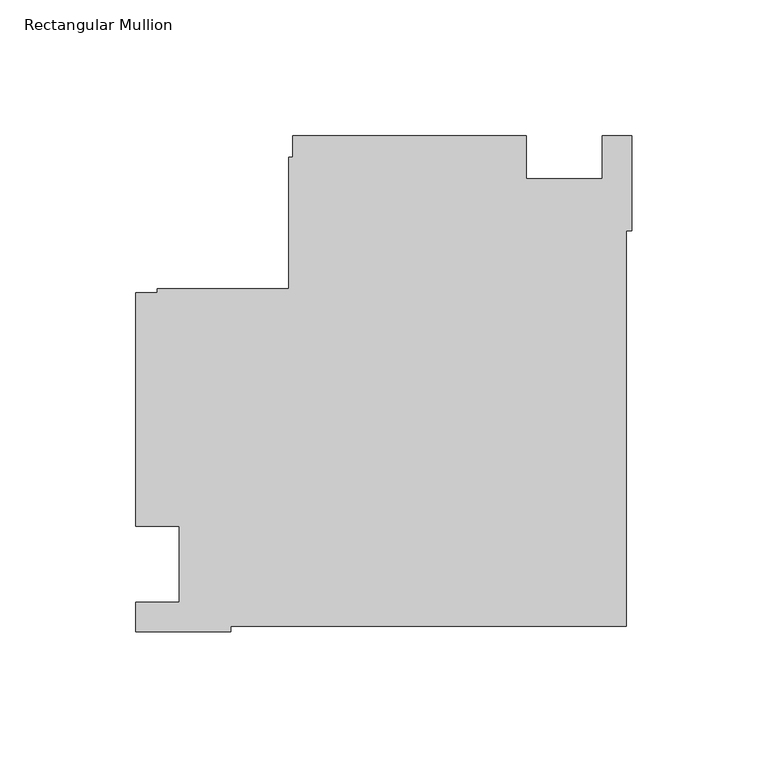
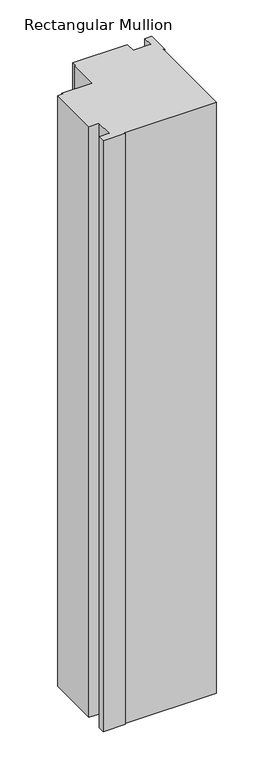
"""IFC4 building model written with IfcOpenShell, lengths in millimetres: member geometry, Rectangular Mullion."""

import ifcopenshell
import ifcopenshell.guid

model = None  # the IFC model being written
_history = None  # IfcOwnerHistory: only IFC2X3 demands one
_inside = {}  # id of a spatial element -> (the spatial element, [elements in it])
_under = {}  # id of a project, library or spatial element -> (it, [spatial elements below it])
_declared = {}  # id of a project -> (the project, [libraries it declares])
_typed = {}  # id of a type object -> (the type object, [elements of that type])
_made_of = {}  # id of a material, layer set ... -> (it, [elements and type objects made of it])


def new_model(schema):
    """Start an empty IFC model of exactly this schema.

    Asked for "IFC4X3", IfcOpenShell would pick the latest addendum, in which some entities
    have other attributes; the version numbers below select the first issue.
    IFC2X3 requires an IfcOwnerHistory on every rooted entity: one is made here for all.
    """
    global model, _history
    if schema == "IFC4X3":
        model = ifcopenshell.file(schema_version=(4, 3, 0, 0))
    else:
        model = ifcopenshell.file(schema=schema)
    _inside.clear()
    _under.clear()
    _declared.clear()
    _typed.clear()
    _made_of.clear()
    _history = None
    if model.schema == "IFC2X3":
        org = make("IfcOrganization", Name="unknown")
        user = make(
            "IfcPersonAndOrganization",
            ThePerson=make("IfcPerson", FamilyName="unknown"),
            TheOrganization=org,
        )
        app = make(
            "IfcApplication",
            ApplicationDeveloper=org,
            Version="unknown",
            ApplicationFullName="unknown",
            ApplicationIdentifier="unknown",
        )
        _history = make(
            "IfcOwnerHistory",
            OwningUser=user,
            OwningApplication=app,
            ChangeAction="ADDED",
            CreationDate=0,
        )
    return model


def make(cls, **values):
    """One entity of the class cls with the attributes given. An attribute that is None is left unset."""
    return model.create_entity(
        cls, **{name: value for name, value in values.items() if value is not None}
    )


def rooted(cls, **values):
    """An entity with a GlobalId (a new one), such as an element, a storey or a relation."""
    return make(cls, GlobalId=ifcopenshell.guid.new(), OwnerHistory=_history, **values)


def si_unit(unit_type, name, prefix=None):
    """IfcSIUnit, for example si_unit("LENGTHUNIT", "METRE", prefix="MILLI")."""
    return make("IfcSIUnit", UnitType=unit_type, Prefix=prefix, Name=name)


def assignment(units):
    """IfcUnitAssignment: the units of a project."""
    return None if units is None else make("IfcUnitAssignment", Units=units)


def point(xyz):
    """IfcCartesianPoint."""
    return None if xyz is None else make("IfcCartesianPoint", Coordinates=xyz)


def direction(xyz):
    """IfcDirection."""
    return None if xyz is None else make("IfcDirection", DirectionRatios=xyz)


def frame(location, z_axis=None, x_axis=None):
    """IfcAxis2Placement3D, a coordinate frame: its origin and axes. An axis left out is left unset."""
    return make(
        "IfcAxis2Placement3D",
        Location=point(location),
        Axis=direction(z_axis),
        RefDirection=direction(x_axis),
    )


def origin():
    """The frame at (0, 0, 0) with its axes left unset."""
    return frame((0.0, 0.0, 0.0))


def place(relative_to, where):
    """IfcLocalPlacement: puts the frame where relative to a parent placement (None: the world)."""
    return make(
        "IfcLocalPlacement", PlacementRelTo=relative_to, RelativePlacement=where
    )


def context(
    kind, dimensions, precision=None, world=None, true_north=None, identifier=None
):
    """IfcGeometricRepresentationContext, for example the 3D "Model" context."""
    return make(
        "IfcGeometricRepresentationContext",
        ContextIdentifier=identifier,
        ContextType=kind,
        CoordinateSpaceDimension=dimensions,
        Precision=precision,
        WorldCoordinateSystem=world,
        TrueNorth=true_north,
    )


def project(units=None, contexts=None):
    """IfcProject with its units and contexts."""
    return rooted(
        "IfcProject",
        Name="project",
        RepresentationContexts=contexts,
        UnitsInContext=assignment(units),
    )


def spatial(cls, under=None, at=None, **own):
    """A site, building, storey or space (cls), placed at a placement, below another one or the project."""
    s = rooted(cls, ObjectPlacement=at, **own)
    if under is not None:
        _under.setdefault(under.id(), (under, []))[1].append(s)
    return s


def polyline(points):
    """IfcPolyline through the points."""
    return make("IfcPolyline", Points=[point(p) for p in points])


def outline(outer, holes=None, kind="AREA"):
    """IfcArbitraryClosedProfileDef: a profile drawn as a closed curve; with holes, ...WithVoids."""
    if holes is None:
        return make("IfcArbitraryClosedProfileDef", ProfileType=kind, OuterCurve=outer)
    return make(
        "IfcArbitraryProfileDefWithVoids",
        ProfileType=kind,
        OuterCurve=outer,
        InnerCurves=holes,
    )


def extrude(swept, where, along, depth):
    """IfcExtrudedAreaSolid: the profile swept, set in the frame where, extruded along a direction by depth."""
    return make(
        "IfcExtrudedAreaSolid",
        SweptArea=swept,
        Position=where,
        ExtrudedDirection=direction(along),
        Depth=depth,
    )


def shape(context_of_items, identifier, shape_type, items):
    """IfcShapeRepresentation: the items that make up one representation, for example the "Body"."""
    return make(
        "IfcShapeRepresentation",
        ContextOfItems=context_of_items,
        RepresentationIdentifier=identifier,
        RepresentationType=shape_type,
        Items=items,
    )


def source(mapping_origin, context_of_items, identifier, shape_type, items):
    """IfcRepresentationMap: a shape defined once, which mapped items show again and again."""
    return make(
        "IfcRepresentationMap",
        MappingOrigin=mapping_origin,
        MappedRepresentation=shape(context_of_items, identifier, shape_type, items),
    )


def transform(
    local_origin,
    x_axis=None,
    y_axis=None,
    z_axis=None,
    scale=None,
    scale2=None,
    scale3=None,
    uniform=True,
):
    """IfcCartesianTransformationOperator3D, or its non-uniform kind. x_axis, y_axis, z_axis: its Axis1, 2, 3."""
    if uniform:
        return make(
            "IfcCartesianTransformationOperator3D",
            Axis1=direction(x_axis),
            Axis2=direction(y_axis),
            LocalOrigin=point(local_origin),
            Scale=scale,
            Axis3=direction(z_axis),
        )
    return make(
        "IfcCartesianTransformationOperator3DnonUniform",
        Axis1=direction(x_axis),
        Axis2=direction(y_axis),
        LocalOrigin=point(local_origin),
        Scale=scale,
        Axis3=direction(z_axis),
        Scale2=scale2,
        Scale3=scale3,
    )


def mapped(mapping_source, mapping_target):
    """IfcMappedItem: shows the shape of a source again, moved by a transform."""
    return make(
        "IfcMappedItem", MappingSource=mapping_source, MappingTarget=mapping_target
    )


def made_of(thing, what):
    """Note that an element or type object is made of a material, layer set ...; save() writes the relation."""
    if what is not None:
        _made_of.setdefault(what.id(), (what, []))[1].append(thing)
    return thing


def element(
    cls,
    number,
    at=None,
    inside=None,
    cuts=None,
    type_object=None,
    material=None,
    context=None,
    identifier="Body",
    shape_type=None,
    held_by="IfcProductDefinitionShape",
    body=None,
    shapes=None,
    **own,
):
    """One element of the class cls, such as IfcWall. Its Tag is "e" and its number.

    at: its placement. inside: the storey or other place that contains it. cuts: it is an
    opening in that element (IfcRelVoidsElement). A single representation is given by context,
    identifier, shape_type and body (its items); several are given by shapes. held_by: the class
    of the entity that holds the representations. save() writes the other relations.
    """
    e = rooted(cls, Tag="e%d" % number, ObjectPlacement=at, **own)
    if body is not None:
        shapes = [shape(context, identifier, shape_type, body)]
    if shapes is not None:
        e.Representation = make(held_by, Representations=shapes)
    if inside is not None:
        _inside.setdefault(inside.id(), (inside, []))[1].append(e)
    if cuts is not None:
        rooted(
            "IfcRelVoidsElement", RelatingBuildingElement=cuts, RelatedOpeningElement=e
        )
    if type_object is not None:
        _typed.setdefault(type_object.id(), (type_object, []))[1].append(e)
    return made_of(e, material)


def aggregate(whole, parts):
    """IfcRelAggregates: a whole, such as a stair, and the parts it consists of."""
    return rooted("IfcRelAggregates", RelatingObject=whole, RelatedObjects=parts)


def save(model, path):
    """Write the relations noted so far, then the file.

    IfcRelAggregates (storeys below a building ...), IfcRelContainedInSpatialStructure (elements
    in a storey), IfcRelDefinesByType, IfcRelAssociatesMaterial and IfcRelDeclares: one each for
    every whole, place, type object, material and project.
    """
    for whole, parts in _under.values():
        aggregate(whole, parts)
    for where, things in _inside.values():
        rooted(
            "IfcRelContainedInSpatialStructure",
            RelatedElements=things,
            RelatingStructure=where,
        )
    for kind, things in _typed.values():
        rooted("IfcRelDefinesByType", RelatedObjects=things, RelatingType=kind)
    for what, things in _made_of.values():
        rooted("IfcRelAssociatesMaterial", RelatedObjects=things, RelatingMaterial=what)
    for by, libraries in _declared.values():
        rooted("IfcRelDeclares", RelatingContext=by, RelatedDefinitions=libraries)
    model.write(path)


def rectangular_mullion_3cb02a0b(model_context):
    return source(origin(), model_context, "Body", "SweptSolid", [
        extrude(outline(polyline([(-182.9999976, 14.0008907), (-182.9999976, 100.0010025), (-175.0, 100.0010025), (-175.0, 101.6000025), (-126.6, 101.6000025), (-126.6, 150.0000025), (-125.0, 150.0000025), (-125.0, 158.0000001), (-38.9998882, 158.0000001), (-38.9998882, 142.0010001), (-10.9999975, 142.0010001), (-10.9999975, 158.0000001), (0.0, 158.0000001), (0.0, 122.9999738), (-2.0852141, 122.9999738), (-2.0852141, -22.9137834), (-147.9999713, -22.9137834), (-147.9999713, -24.9989975), (-183.0085199, -24.9989975), (-183.0085199, -14.0027335), (-166.9999976, -14.0027335), (-166.9999976, 14.0008907), (-182.9999976, 14.0008907)])), frame((0.0, 0.0, -990.6595328), z_axis=(0.0, 0.0, 1.0), x_axis=(1.0, 0.0, 0.0)), (0.0, 0.0, 1.0), 990.6595328),
    ])


if __name__ == "__main__":
    model = new_model("IFC4")
    model_context = context("Model", 3, world=origin())
    ifc_project = project(units=[si_unit("LENGTHUNIT", "METRE", prefix="MILLI")], contexts=[model_context])
    site = spatial("IfcSite", under=ifc_project)
    building = spatial("IfcBuilding", under=site)
    placement = place(None, origin())
    rectangular_mullion_shape = rectangular_mullion_3cb02a0b(model_context)
    element("IfcMember", 1, ObjectType="Rectangular Mullion", at=placement, inside=building, context=model_context, shape_type="MappedRepresentation", body=[
        mapped(rectangular_mullion_shape, transform((0.0, 0.0, 0.0), x_axis=(1.0, 0.0, 0.0), y_axis=(0.0, 1.0, 0.0), z_axis=(0.0, 0.0, 1.0))),
    ])
    save(model, "model.ifc")
